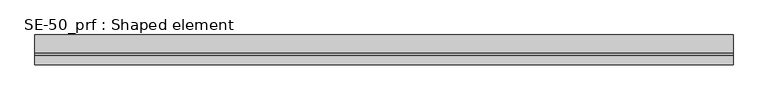
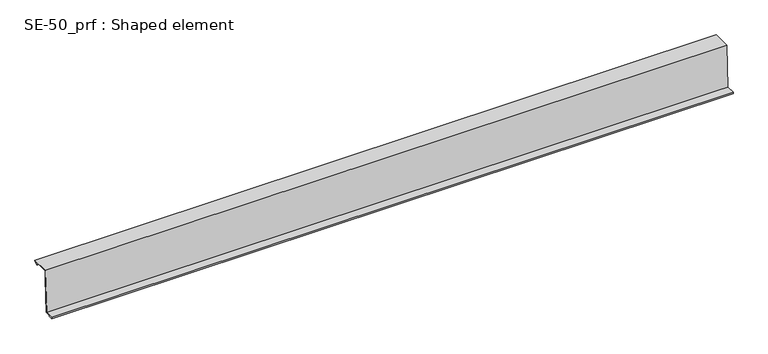
"""IFC4 building model written with IfcOpenShell, lengths in millimetres: proxy geometry, SE-50_prf : Shaped element."""

from ifc_helpers import new_model, si_unit, origin, place, context, project, spatial, faceted_brep, source, transform, mapped, element, save


def se_50_prf_shaped_element_3d6f4802(model_context):
    return source(origin(), model_context, "Body", "Brep", [
        faceted_brep([(0.0, 0.0, 80.8926774), (0.0, 0.0, 100.0), (0.0, 40.0, 100.0), (0.0, 32.9289322, 92.9289322), (0.0, 32.2218254, 93.636039), (0.0, 37.5857864, 99.0), (0.0, 0.9489646, 99.0), (0.0, -4.0297745, 4.0), (0.0, -23.978739, 4.0), (0.0, -23.978739, 3.0), (0.0, -14.978739, 3.0), (0.0, -14.978739, 2.0), (0.0, -24.978739, 2.0), (0.0, -24.978739, 5.0), (0.0, -4.978739, 5.0), (1510.0, 0.0, 100.0), (1510.0, 0.0, 80.8926774), (1510.0, 0.9489646, 99.0), (1510.0, 37.5857864, 99.0), (1510.0, 32.2218254, 93.636039), (1510.0, 32.9289322, 92.9289322), (1510.0, 40.0, 100.0), (1510.0, -4.978739, 5.0), (1510.0, -24.978739, 5.0), (1510.0, -24.978739, 2.0), (1510.0, -14.978739, 2.0), (1510.0, -14.978739, 3.0), (1510.0, -23.978739, 3.0), (1510.0, -23.978739, 4.0), (1510.0, -4.0297745, 4.0)], [[[0, 1, 2, 3, 4, 5, 6]], [[1, 0, 7, 8, 9, 10, 11, 12, 13, 14]], [[15, 16, 17, 18, 19, 20, 21]], [[16, 15, 22, 23, 24, 25, 26, 27, 28, 29]], [[12, 11, 25, 24]], [[11, 10, 26, 25]], [[10, 9, 27, 26]], [[9, 8, 28, 27]], [[8, 7, 29, 28]], [[0, 6, 17, 16, 29, 7]], [[6, 5, 18, 17]], [[5, 4, 19, 18]], [[4, 3, 20, 19]], [[3, 2, 21, 20]], [[2, 1, 15, 21]], [[1, 14, 22, 15]], [[14, 13, 23, 22]], [[13, 12, 24, 23]]]),
    ])


if __name__ == "__main__":
    model = new_model("IFC4")
    model_context = context("Model", 3, world=origin())
    ifc_project = project(units=[si_unit("LENGTHUNIT", "METRE", prefix="MILLI")], contexts=[model_context])
    site = spatial("IfcSite", under=ifc_project)
    building = spatial("IfcBuilding", under=site)
    placement = place(None, origin())
    se_50_prf_shaped_element_shape = se_50_prf_shaped_element_3d6f4802(model_context)
    element("IfcBuildingElementProxy", 1, Name="SE-50_prf : Shaped element", ObjectType="SE-50_prf : Shaped element", at=placement, inside=building, context=model_context, shape_type="MappedRepresentation", body=[
        mapped(se_50_prf_shaped_element_shape, transform((0.0, 0.0, 0.0), x_axis=(1.0, 0.0, 0.0), y_axis=(0.0, 1.0, 0.0), z_axis=(0.0, 0.0, 1.0))),
    ])
    save(model, "model.ifc")
